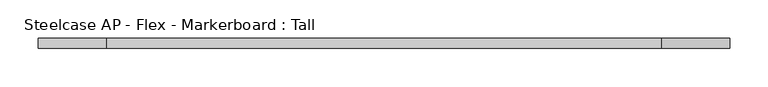
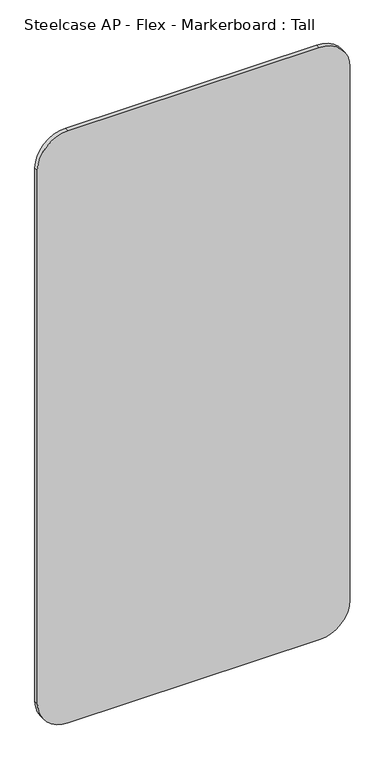
"""IFC4 building model written with IfcOpenShell, lengths in millimetres: furniture geometry, Steelcase AP - Flex - Markerboard : Tall."""

from ifc_helpers import new_model, si_unit, point, frame, frame_2d, origin, place, context, project, spatial, polyline, circle_curve, trimmed, segment, composite_curve, outline, extrude, source, transform, mapped, element, save


def steelcase_ap_flex_markerboard_tall_821d46c1(model_context):
    return source(origin(), model_context, "Body", "SweptSolid", [
        extrude(outline(composite_curve([segment(polyline([(1800.0, 811.1), (1800.0, 88.9)]), True, "CONTINUOUS"), segment(trimmed(circle_curve(frame_2d((1711.1, 88.9)), 88.9), [point((1800.0, 88.9))], [point((1711.1, 0.0))], False, "CARTESIAN"), True, "CONTINUOUS"), segment(polyline([(1711.1, 0.0), (88.9, 0.0)]), True, "CONTINUOUS"), segment(trimmed(circle_curve(frame_2d((88.9, 88.9)), 88.9), [point((88.9, 0.0))], [point((0.0, 88.9))], False, "CARTESIAN"), True, "CONTINUOUS"), segment(polyline([(0.0, 88.9), (0.0, 811.1)]), True, "CONTINUOUS"), segment(trimmed(circle_curve(frame_2d((88.9, 811.1)), 88.9), [point((0.0, 811.1))], [point((88.9, 900.0))], False, "CARTESIAN"), True, "CONTINUOUS"), segment(polyline([(88.9, 900.0), (1711.1, 900.0)]), True, "CONTINUOUS"), segment(trimmed(circle_curve(frame_2d((1711.1, 811.1)), 88.9), [point((1711.1, 900.0))], [point((1800.0, 811.1))], False, "CARTESIAN"), True, "CONTINUOUS")], self_intersect=False)), frame((0.0, -12.6929538, 0.0), z_axis=(0.0, 1.0, 0.0), x_axis=(0.0, 0.0, 1.0)), (0.0, 0.0, 1.0), 12.6929538),
    ])


if __name__ == "__main__":
    model = new_model("IFC4")
    model_context = context("Model", 3, world=origin())
    ifc_project = project(units=[si_unit("LENGTHUNIT", "METRE", prefix="MILLI")], contexts=[model_context])
    site = spatial("IfcSite", under=ifc_project)
    building = spatial("IfcBuilding", under=site)
    placement = place(None, origin())
    steelcase_ap_flex_markerboard_tall_shape = steelcase_ap_flex_markerboard_tall_821d46c1(model_context)
    element("IfcFurniture", 1, ObjectType="Steelcase AP - Flex - Markerboard : Tall", at=placement, inside=building, context=model_context, shape_type="MappedRepresentation", body=[
        mapped(steelcase_ap_flex_markerboard_tall_shape, transform((0.0, 0.0, 0.0), x_axis=(1.0, 0.0, 0.0), y_axis=(0.0, 1.0, 0.0), z_axis=(0.0, 0.0, 1.0))),
    ])
    save(model, "model.ifc")
